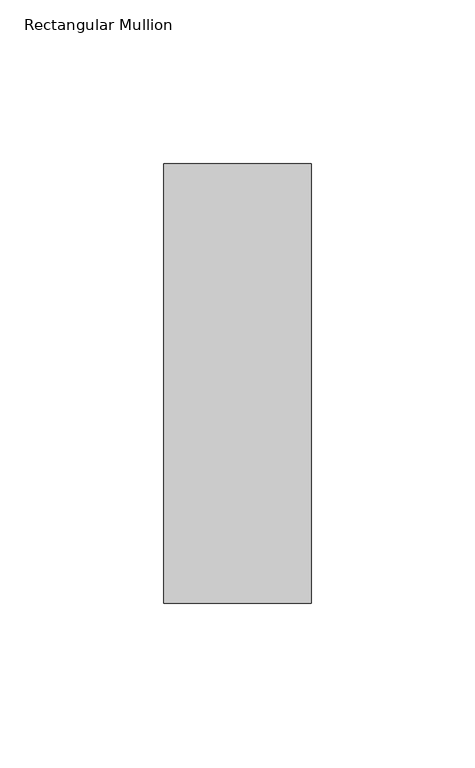
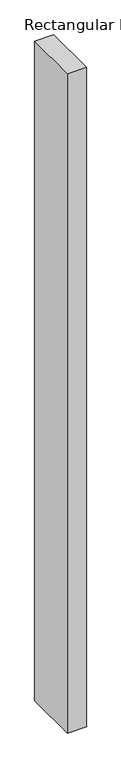
"""IFC4 building model written with IfcOpenShell, lengths in millimetres: member geometry, Rectangular Mullion."""

import ifcopenshell
import ifcopenshell.guid

model = None  # the IFC model being written
_history = None  # IfcOwnerHistory: only IFC2X3 demands one
_inside = {}  # id of a spatial element -> (the spatial element, [elements in it])
_under = {}  # id of a project, library or spatial element -> (it, [spatial elements below it])
_declared = {}  # id of a project -> (the project, [libraries it declares])
_typed = {}  # id of a type object -> (the type object, [elements of that type])
_made_of = {}  # id of a material, layer set ... -> (it, [elements and type objects made of it])


def new_model(schema):
    """Start an empty IFC model of exactly this schema.

    Asked for "IFC4X3", IfcOpenShell would pick the latest addendum, in which some entities
    have other attributes; the version numbers below select the first issue.
    IFC2X3 requires an IfcOwnerHistory on every rooted entity: one is made here for all.
    """
    global model, _history
    if schema == "IFC4X3":
        model = ifcopenshell.file(schema_version=(4, 3, 0, 0))
    else:
        model = ifcopenshell.file(schema=schema)
    _inside.clear()
    _under.clear()
    _declared.clear()
    _typed.clear()
    _made_of.clear()
    _history = None
    if model.schema == "IFC2X3":
        org = make("IfcOrganization", Name="unknown")
        user = make(
            "IfcPersonAndOrganization",
            ThePerson=make("IfcPerson", FamilyName="unknown"),
            TheOrganization=org,
        )
        app = make(
            "IfcApplication",
            ApplicationDeveloper=org,
            Version="unknown",
            ApplicationFullName="unknown",
            ApplicationIdentifier="unknown",
        )
        _history = make(
            "IfcOwnerHistory",
            OwningUser=user,
            OwningApplication=app,
            ChangeAction="ADDED",
            CreationDate=0,
        )
    return model


def make(cls, **values):
    """One entity of the class cls with the attributes given. An attribute that is None is left unset."""
    return model.create_entity(
        cls, **{name: value for name, value in values.items() if value is not None}
    )


def rooted(cls, **values):
    """An entity with a GlobalId (a new one), such as an element, a storey or a relation."""
    return make(cls, GlobalId=ifcopenshell.guid.new(), OwnerHistory=_history, **values)


def si_unit(unit_type, name, prefix=None):
    """IfcSIUnit, for example si_unit("LENGTHUNIT", "METRE", prefix="MILLI")."""
    return make("IfcSIUnit", UnitType=unit_type, Prefix=prefix, Name=name)


def assignment(units):
    """IfcUnitAssignment: the units of a project."""
    return None if units is None else make("IfcUnitAssignment", Units=units)


def point(xyz):
    """IfcCartesianPoint."""
    return None if xyz is None else make("IfcCartesianPoint", Coordinates=xyz)


def direction(xyz):
    """IfcDirection."""
    return None if xyz is None else make("IfcDirection", DirectionRatios=xyz)


def frame(location, z_axis=None, x_axis=None):
    """IfcAxis2Placement3D, a coordinate frame: its origin and axes. An axis left out is left unset."""
    return make(
        "IfcAxis2Placement3D",
        Location=point(location),
        Axis=direction(z_axis),
        RefDirection=direction(x_axis),
    )


def origin():
    """The frame at (0, 0, 0) with its axes left unset."""
    return frame((0.0, 0.0, 0.0))


def place(relative_to, where):
    """IfcLocalPlacement: puts the frame where relative to a parent placement (None: the world)."""
    return make(
        "IfcLocalPlacement", PlacementRelTo=relative_to, RelativePlacement=where
    )


def context(
    kind, dimensions, precision=None, world=None, true_north=None, identifier=None
):
    """IfcGeometricRepresentationContext, for example the 3D "Model" context."""
    return make(
        "IfcGeometricRepresentationContext",
        ContextIdentifier=identifier,
        ContextType=kind,
        CoordinateSpaceDimension=dimensions,
        Precision=precision,
        WorldCoordinateSystem=world,
        TrueNorth=true_north,
    )


def project(units=None, contexts=None):
    """IfcProject with its units and contexts."""
    return rooted(
        "IfcProject",
        Name="project",
        RepresentationContexts=contexts,
        UnitsInContext=assignment(units),
    )


def spatial(cls, under=None, at=None, **own):
    """A site, building, storey or space (cls), placed at a placement, below another one or the project."""
    s = rooted(cls, ObjectPlacement=at, **own)
    if under is not None:
        _under.setdefault(under.id(), (under, []))[1].append(s)
    return s


def polyline(points):
    """IfcPolyline through the points."""
    return make("IfcPolyline", Points=[point(p) for p in points])


def outline(outer, holes=None, kind="AREA"):
    """IfcArbitraryClosedProfileDef: a profile drawn as a closed curve; with holes, ...WithVoids."""
    if holes is None:
        return make("IfcArbitraryClosedProfileDef", ProfileType=kind, OuterCurve=outer)
    return make(
        "IfcArbitraryProfileDefWithVoids",
        ProfileType=kind,
        OuterCurve=outer,
        InnerCurves=holes,
    )


def extrude(swept, where, along, depth):
    """IfcExtrudedAreaSolid: the profile swept, set in the frame where, extruded along a direction by depth."""
    return make(
        "IfcExtrudedAreaSolid",
        SweptArea=swept,
        Position=where,
        ExtrudedDirection=direction(along),
        Depth=depth,
    )


def shape(context_of_items, identifier, shape_type, items):
    """IfcShapeRepresentation: the items that make up one representation, for example the "Body"."""
    return make(
        "IfcShapeRepresentation",
        ContextOfItems=context_of_items,
        RepresentationIdentifier=identifier,
        RepresentationType=shape_type,
        Items=items,
    )


def source(mapping_origin, context_of_items, identifier, shape_type, items):
    """IfcRepresentationMap: a shape defined once, which mapped items show again and again."""
    return make(
        "IfcRepresentationMap",
        MappingOrigin=mapping_origin,
        MappedRepresentation=shape(context_of_items, identifier, shape_type, items),
    )


def transform(
    local_origin,
    x_axis=None,
    y_axis=None,
    z_axis=None,
    scale=None,
    scale2=None,
    scale3=None,
    uniform=True,
):
    """IfcCartesianTransformationOperator3D, or its non-uniform kind. x_axis, y_axis, z_axis: its Axis1, 2, 3."""
    if uniform:
        return make(
            "IfcCartesianTransformationOperator3D",
            Axis1=direction(x_axis),
            Axis2=direction(y_axis),
            LocalOrigin=point(local_origin),
            Scale=scale,
            Axis3=direction(z_axis),
        )
    return make(
        "IfcCartesianTransformationOperator3DnonUniform",
        Axis1=direction(x_axis),
        Axis2=direction(y_axis),
        LocalOrigin=point(local_origin),
        Scale=scale,
        Axis3=direction(z_axis),
        Scale2=scale2,
        Scale3=scale3,
    )


def mapped(mapping_source, mapping_target):
    """IfcMappedItem: shows the shape of a source again, moved by a transform."""
    return make(
        "IfcMappedItem", MappingSource=mapping_source, MappingTarget=mapping_target
    )


def made_of(thing, what):
    """Note that an element or type object is made of a material, layer set ...; save() writes the relation."""
    if what is not None:
        _made_of.setdefault(what.id(), (what, []))[1].append(thing)
    return thing


def element(
    cls,
    number,
    at=None,
    inside=None,
    cuts=None,
    type_object=None,
    material=None,
    context=None,
    identifier="Body",
    shape_type=None,
    held_by="IfcProductDefinitionShape",
    body=None,
    shapes=None,
    **own,
):
    """One element of the class cls, such as IfcWall. Its Tag is "e" and its number.

    at: its placement. inside: the storey or other place that contains it. cuts: it is an
    opening in that element (IfcRelVoidsElement). A single representation is given by context,
    identifier, shape_type and body (its items); several are given by shapes. held_by: the class
    of the entity that holds the representations. save() writes the other relations.
    """
    e = rooted(cls, Tag="e%d" % number, ObjectPlacement=at, **own)
    if body is not None:
        shapes = [shape(context, identifier, shape_type, body)]
    if shapes is not None:
        e.Representation = make(held_by, Representations=shapes)
    if inside is not None:
        _inside.setdefault(inside.id(), (inside, []))[1].append(e)
    if cuts is not None:
        rooted(
            "IfcRelVoidsElement", RelatingBuildingElement=cuts, RelatedOpeningElement=e
        )
    if type_object is not None:
        _typed.setdefault(type_object.id(), (type_object, []))[1].append(e)
    return made_of(e, material)


def aggregate(whole, parts):
    """IfcRelAggregates: a whole, such as a stair, and the parts it consists of."""
    return rooted("IfcRelAggregates", RelatingObject=whole, RelatedObjects=parts)


def save(model, path):
    """Write the relations noted so far, then the file.

    IfcRelAggregates (storeys below a building ...), IfcRelContainedInSpatialStructure (elements
    in a storey), IfcRelDefinesByType, IfcRelAssociatesMaterial and IfcRelDeclares: one each for
    every whole, place, type object, material and project.
    """
    for whole, parts in _under.values():
        aggregate(whole, parts)
    for where, things in _inside.values():
        rooted(
            "IfcRelContainedInSpatialStructure",
            RelatedElements=things,
            RelatingStructure=where,
        )
    for kind, things in _typed.values():
        rooted("IfcRelDefinesByType", RelatedObjects=things, RelatingType=kind)
    for what, things in _made_of.values():
        rooted("IfcRelAssociatesMaterial", RelatedObjects=things, RelatingMaterial=what)
    for by, libraries in _declared.values():
        rooted("IfcRelDeclares", RelatingContext=by, RelatedDefinitions=libraries)
    model.write(path)


def rectangular_mullion_35d2208a(model_context):
    return source(origin(), model_context, "Body", "SweptSolid", [
        extrude(outline(polyline([(0.0, 82.60625), (0.0, -51.60625), (-45.0, -51.60625), (-45.0, 82.60625), (0.0, 82.60625)])), frame((0.0, 0.0, -1652.9427622), z_axis=(0.0, 0.0, 1.0), x_axis=(1.0, 0.0, 0.0)), (0.0, 0.0, 1.0), 1652.9427622),
    ])


if __name__ == "__main__":
    model = new_model("IFC4")
    model_context = context("Model", 3, world=origin())
    ifc_project = project(units=[si_unit("LENGTHUNIT", "METRE", prefix="MILLI")], contexts=[model_context])
    site = spatial("IfcSite", under=ifc_project)
    building = spatial("IfcBuilding", under=site)
    placement = place(None, origin())
    rectangular_mullion_shape = rectangular_mullion_35d2208a(model_context)
    element("IfcMember", 1, ObjectType="Rectangular Mullion", at=placement, inside=building, context=model_context, shape_type="MappedRepresentation", body=[
        mapped(rectangular_mullion_shape, transform((0.0, 0.0, 0.0), x_axis=(1.0, 0.0, 0.0), y_axis=(0.0, 1.0, 0.0), z_axis=(0.0, 0.0, 1.0))),
    ])
    save(model, "model.ifc")
